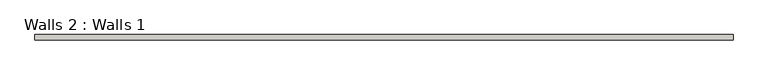
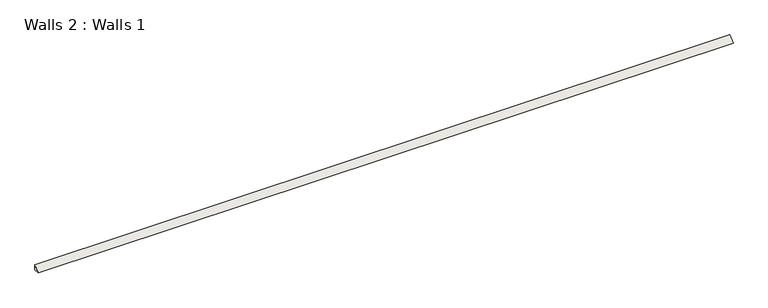
"""IFC4 building model written with IfcOpenShell, lengths in millimetres: wall geometry, Walls 2 : Walls 1."""

from ifc_helpers import new_model, si_unit, frame, origin, place, context, project, spatial, polyline, outline, extrude, source, transform, mapped, element, save


def walls_2_walls_1_6ba71300(model_context):
    return source(origin(), model_context, "Body", "SweptSolid", [
        extrude(outline(polyline([(2392.8647686, 19.05), (2392.8647686, 0.0), (2373.8147686, 0.0), (2392.8647686, 19.05)])), frame((75.4987811, 0.0, 0.0), z_axis=(1.0, 0.0, 0.0), x_axis=(0.0, 1.0, 0.0)), (0.0, 0.0, 1.0), 2438.4),
    ])


if __name__ == "__main__":
    model = new_model("IFC4")
    model_context = context("Model", 3, world=origin())
    ifc_project = project(units=[si_unit("LENGTHUNIT", "METRE", prefix="MILLI")], contexts=[model_context])
    site = spatial("IfcSite", under=ifc_project)
    building = spatial("IfcBuilding", under=site)
    placement = place(None, origin())
    walls_2_walls_1_shape = walls_2_walls_1_6ba71300(model_context)
    element("IfcWall", 1, ObjectType="Walls 2 : Walls 1", at=placement, inside=building, context=model_context, shape_type="MappedRepresentation", body=[
        mapped(walls_2_walls_1_shape, transform((0.0, 0.0, 0.0), x_axis=(1.0, 0.0, 0.0), y_axis=(0.0, 1.0, 0.0), z_axis=(0.0, 0.0, 1.0))),
    ])
    save(model, "model.ifc")
